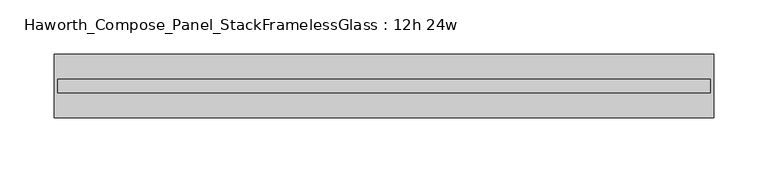
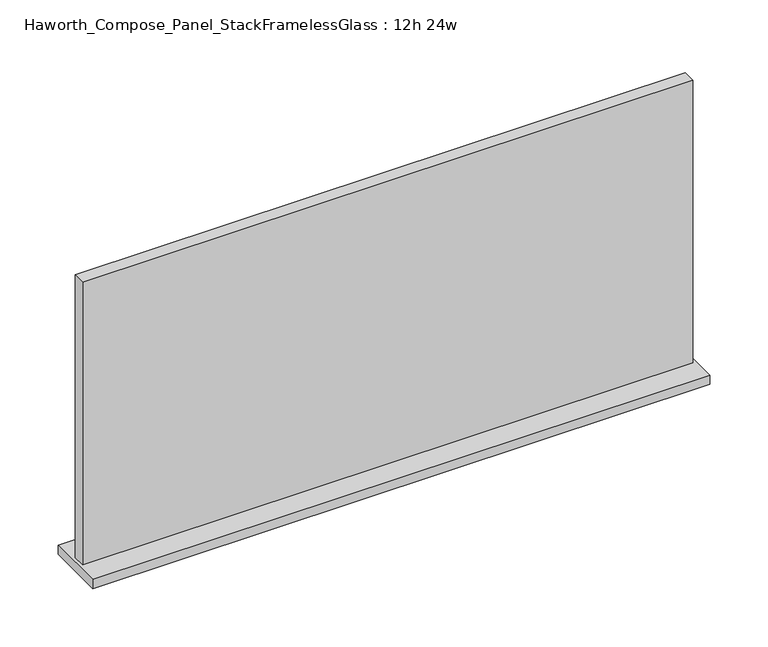
"""IFC4 building model written with IfcOpenShell, lengths in millimetres: furniture geometry, Haworth_Compose_Panel_StackFramelessGlass : 12h 24w."""

import ifcopenshell
import ifcopenshell.guid

model = None  # the IFC model being written
_history = None  # IfcOwnerHistory: only IFC2X3 demands one
_inside = {}  # id of a spatial element -> (the spatial element, [elements in it])
_under = {}  # id of a project, library or spatial element -> (it, [spatial elements below it])
_declared = {}  # id of a project -> (the project, [libraries it declares])
_typed = {}  # id of a type object -> (the type object, [elements of that type])
_made_of = {}  # id of a material, layer set ... -> (it, [elements and type objects made of it])


def new_model(schema):
    """Start an empty IFC model of exactly this schema.

    Asked for "IFC4X3", IfcOpenShell would pick the latest addendum, in which some entities
    have other attributes; the version numbers below select the first issue.
    IFC2X3 requires an IfcOwnerHistory on every rooted entity: one is made here for all.
    """
    global model, _history
    if schema == "IFC4X3":
        model = ifcopenshell.file(schema_version=(4, 3, 0, 0))
    else:
        model = ifcopenshell.file(schema=schema)
    _inside.clear()
    _under.clear()
    _declared.clear()
    _typed.clear()
    _made_of.clear()
    _history = None
    if model.schema == "IFC2X3":
        org = make("IfcOrganization", Name="unknown")
        user = make(
            "IfcPersonAndOrganization",
            ThePerson=make("IfcPerson", FamilyName="unknown"),
            TheOrganization=org,
        )
        app = make(
            "IfcApplication",
            ApplicationDeveloper=org,
            Version="unknown",
            ApplicationFullName="unknown",
            ApplicationIdentifier="unknown",
        )
        _history = make(
            "IfcOwnerHistory",
            OwningUser=user,
            OwningApplication=app,
            ChangeAction="ADDED",
            CreationDate=0,
        )
    return model


def make(cls, **values):
    """One entity of the class cls with the attributes given. An attribute that is None is left unset."""
    return model.create_entity(
        cls, **{name: value for name, value in values.items() if value is not None}
    )


def rooted(cls, **values):
    """An entity with a GlobalId (a new one), such as an element, a storey or a relation."""
    return make(cls, GlobalId=ifcopenshell.guid.new(), OwnerHistory=_history, **values)


def si_unit(unit_type, name, prefix=None):
    """IfcSIUnit, for example si_unit("LENGTHUNIT", "METRE", prefix="MILLI")."""
    return make("IfcSIUnit", UnitType=unit_type, Prefix=prefix, Name=name)


def assignment(units):
    """IfcUnitAssignment: the units of a project."""
    return None if units is None else make("IfcUnitAssignment", Units=units)


def point(xyz):
    """IfcCartesianPoint."""
    return None if xyz is None else make("IfcCartesianPoint", Coordinates=xyz)


def direction(xyz):
    """IfcDirection."""
    return None if xyz is None else make("IfcDirection", DirectionRatios=xyz)


def frame(location, z_axis=None, x_axis=None):
    """IfcAxis2Placement3D, a coordinate frame: its origin and axes. An axis left out is left unset."""
    return make(
        "IfcAxis2Placement3D",
        Location=point(location),
        Axis=direction(z_axis),
        RefDirection=direction(x_axis),
    )


def origin():
    """The frame at (0, 0, 0) with its axes left unset."""
    return frame((0.0, 0.0, 0.0))


def place(relative_to, where):
    """IfcLocalPlacement: puts the frame where relative to a parent placement (None: the world)."""
    return make(
        "IfcLocalPlacement", PlacementRelTo=relative_to, RelativePlacement=where
    )


def context(
    kind, dimensions, precision=None, world=None, true_north=None, identifier=None
):
    """IfcGeometricRepresentationContext, for example the 3D "Model" context."""
    return make(
        "IfcGeometricRepresentationContext",
        ContextIdentifier=identifier,
        ContextType=kind,
        CoordinateSpaceDimension=dimensions,
        Precision=precision,
        WorldCoordinateSystem=world,
        TrueNorth=true_north,
    )


def project(units=None, contexts=None):
    """IfcProject with its units and contexts."""
    return rooted(
        "IfcProject",
        Name="project",
        RepresentationContexts=contexts,
        UnitsInContext=assignment(units),
    )


def spatial(cls, under=None, at=None, **own):
    """A site, building, storey or space (cls), placed at a placement, below another one or the project."""
    s = rooted(cls, ObjectPlacement=at, **own)
    if under is not None:
        _under.setdefault(under.id(), (under, []))[1].append(s)
    return s


def polyline(points):
    """IfcPolyline through the points."""
    return make("IfcPolyline", Points=[point(p) for p in points])


def outline(outer, holes=None, kind="AREA"):
    """IfcArbitraryClosedProfileDef: a profile drawn as a closed curve; with holes, ...WithVoids."""
    if holes is None:
        return make("IfcArbitraryClosedProfileDef", ProfileType=kind, OuterCurve=outer)
    return make(
        "IfcArbitraryProfileDefWithVoids",
        ProfileType=kind,
        OuterCurve=outer,
        InnerCurves=holes,
    )


def extrude(swept, where, along, depth):
    """IfcExtrudedAreaSolid: the profile swept, set in the frame where, extruded along a direction by depth."""
    return make(
        "IfcExtrudedAreaSolid",
        SweptArea=swept,
        Position=where,
        ExtrudedDirection=direction(along),
        Depth=depth,
    )


def shape(context_of_items, identifier, shape_type, items):
    """IfcShapeRepresentation: the items that make up one representation, for example the "Body"."""
    return make(
        "IfcShapeRepresentation",
        ContextOfItems=context_of_items,
        RepresentationIdentifier=identifier,
        RepresentationType=shape_type,
        Items=items,
    )


def source(mapping_origin, context_of_items, identifier, shape_type, items):
    """IfcRepresentationMap: a shape defined once, which mapped items show again and again."""
    return make(
        "IfcRepresentationMap",
        MappingOrigin=mapping_origin,
        MappedRepresentation=shape(context_of_items, identifier, shape_type, items),
    )


def transform(
    local_origin,
    x_axis=None,
    y_axis=None,
    z_axis=None,
    scale=None,
    scale2=None,
    scale3=None,
    uniform=True,
):
    """IfcCartesianTransformationOperator3D, or its non-uniform kind. x_axis, y_axis, z_axis: its Axis1, 2, 3."""
    if uniform:
        return make(
            "IfcCartesianTransformationOperator3D",
            Axis1=direction(x_axis),
            Axis2=direction(y_axis),
            LocalOrigin=point(local_origin),
            Scale=scale,
            Axis3=direction(z_axis),
        )
    return make(
        "IfcCartesianTransformationOperator3DnonUniform",
        Axis1=direction(x_axis),
        Axis2=direction(y_axis),
        LocalOrigin=point(local_origin),
        Scale=scale,
        Axis3=direction(z_axis),
        Scale2=scale2,
        Scale3=scale3,
    )


def mapped(mapping_source, mapping_target):
    """IfcMappedItem: shows the shape of a source again, moved by a transform."""
    return make(
        "IfcMappedItem", MappingSource=mapping_source, MappingTarget=mapping_target
    )


def made_of(thing, what):
    """Note that an element or type object is made of a material, layer set ...; save() writes the relation."""
    if what is not None:
        _made_of.setdefault(what.id(), (what, []))[1].append(thing)
    return thing


def element(
    cls,
    number,
    at=None,
    inside=None,
    cuts=None,
    type_object=None,
    material=None,
    context=None,
    identifier="Body",
    shape_type=None,
    held_by="IfcProductDefinitionShape",
    body=None,
    shapes=None,
    **own,
):
    """One element of the class cls, such as IfcWall. Its Tag is "e" and its number.

    at: its placement. inside: the storey or other place that contains it. cuts: it is an
    opening in that element (IfcRelVoidsElement). A single representation is given by context,
    identifier, shape_type and body (its items); several are given by shapes. held_by: the class
    of the entity that holds the representations. save() writes the other relations.
    """
    e = rooted(cls, Tag="e%d" % number, ObjectPlacement=at, **own)
    if body is not None:
        shapes = [shape(context, identifier, shape_type, body)]
    if shapes is not None:
        e.Representation = make(held_by, Representations=shapes)
    if inside is not None:
        _inside.setdefault(inside.id(), (inside, []))[1].append(e)
    if cuts is not None:
        rooted(
            "IfcRelVoidsElement", RelatingBuildingElement=cuts, RelatedOpeningElement=e
        )
    if type_object is not None:
        _typed.setdefault(type_object.id(), (type_object, []))[1].append(e)
    return made_of(e, material)


def aggregate(whole, parts):
    """IfcRelAggregates: a whole, such as a stair, and the parts it consists of."""
    return rooted("IfcRelAggregates", RelatingObject=whole, RelatedObjects=parts)


def save(model, path):
    """Write the relations noted so far, then the file.

    IfcRelAggregates (storeys below a building ...), IfcRelContainedInSpatialStructure (elements
    in a storey), IfcRelDefinesByType, IfcRelAssociatesMaterial and IfcRelDeclares: one each for
    every whole, place, type object, material and project.
    """
    for whole, parts in _under.values():
        aggregate(whole, parts)
    for where, things in _inside.values():
        rooted(
            "IfcRelContainedInSpatialStructure",
            RelatedElements=things,
            RelatingStructure=where,
        )
    for kind, things in _typed.values():
        rooted("IfcRelDefinesByType", RelatedObjects=things, RelatingType=kind)
    for what, things in _made_of.values():
        rooted("IfcRelAssociatesMaterial", RelatedObjects=things, RelatingMaterial=what)
    for by, libraries in _declared.values():
        rooted("IfcRelDeclares", RelatingContext=by, RelatedDefinitions=libraries)
    model.write(path)


def haworth_compose_panel_stackframelessglass_12h_24w_5b7ff9a1(model_context):
    return source(origin(), model_context, "Body", "SweptSolid", [
        extrude(outline(polyline([(304.0652902, -27.3093594), (-299.1847098, -27.3093594), (-299.1847098, -14.6093594), (304.0652902, -14.6093594), (304.0652902, -27.3093594)])), frame((0.0, 0.0, 1279.525), z_axis=(0.0, 0.0, 1.0), x_axis=(1.0, 0.0, 0.0)), (0.0, 0.0, 1.0), 295.275),
        extrude(outline(polyline([(-302.3597098, -50.3281094), (-302.3597098, 8.4093906), (307.2402902, 8.4093906), (307.2402902, -50.3281094), (-302.3597098, -50.3281094)])), frame((0.0, 0.0, 1270.0), z_axis=(0.0, 0.0, 1.0), x_axis=(1.0, 0.0, 0.0)), (0.0, 0.0, 1.0), 9.525),
    ])


if __name__ == "__main__":
    model = new_model("IFC4")
    model_context = context("Model", 3, world=origin())
    ifc_project = project(units=[si_unit("LENGTHUNIT", "METRE", prefix="MILLI")], contexts=[model_context])
    site = spatial("IfcSite", under=ifc_project)
    building = spatial("IfcBuilding", under=site)
    placement = place(None, origin())
    haworth_compose_panel_stackframelessglass_12h_24w_shape = haworth_compose_panel_stackframelessglass_12h_24w_5b7ff9a1(model_context)
    element("IfcFurniture", 1, ObjectType="Haworth_Compose_Panel_StackFramelessGlass : 12h 24w", at=placement, inside=building, context=model_context, shape_type="MappedRepresentation", body=[
        mapped(haworth_compose_panel_stackframelessglass_12h_24w_shape, transform((0.0, 0.0, 0.0), x_axis=(1.0, 0.0, 0.0), y_axis=(0.0, 1.0, 0.0), z_axis=(0.0, 0.0, 1.0))),
    ])
    save(model, "model.ifc")
